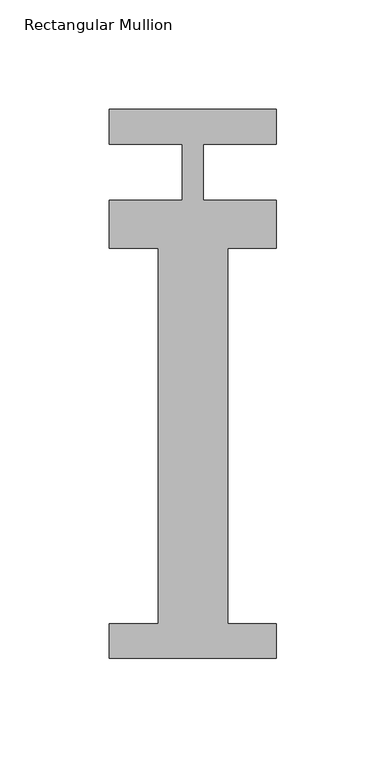
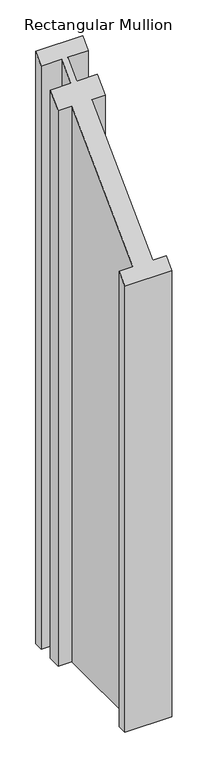
"""IFC4 building model written with IfcOpenShell, lengths in millimetres: member geometry, Rectangular Mullion."""

from ifc_helpers import new_model, si_unit, origin, place, context, project, spatial, faceted_brep, source, transform, mapped, element, save


def rectangular_mullion_097fa01d(model_context):
    return source(origin(), model_context, "Body", "Brep", [
        faceted_brep([(38.1, -221.996, -986.3666667), (-38.1, -221.996, -986.3666667), (-38.1, -206.121, -986.3666667), (-15.875, -206.121, -986.3666667), (-15.875, -34.671, -986.3666667), (-38.1, -34.671, -986.3666667), (-38.1, -12.7, -986.3666667), (-4.7625, -12.7, -986.3666667), (-4.7625, 12.7, -986.3666667), (-38.1, 12.7, -986.3666667), (-38.1, 28.7131807, -986.3666667), (38.1, 28.7131807, -986.3666667), (38.1, 12.7, -986.3666667), (4.7625, 12.7, -986.3666667), (4.7625, -12.7, -986.3666667), (38.1, -12.7, -986.3666667), (38.1, -34.671, -986.3666667), (15.875, -34.671, -986.3666667), (15.875, -206.121, -986.3666667), (38.1, -206.121, -986.3666667), (38.1, -206.121, -206.121), (38.1, -221.996, -221.996), (15.875, -206.121, -206.121), (15.875, -34.671, -34.671), (38.1, -34.671, -34.671), (38.1, -12.7, -12.7), (4.7625, -12.7, -12.7), (4.7625, 12.7, 12.7), (38.1, 12.7, 12.7), (38.1, 28.7131807, 28.7131807), (-38.1, 28.7131807, 28.7131807), (-38.1, 12.7, 12.7), (-4.7625, 12.7, 12.7), (-4.7625, -12.7, -12.7), (-38.1, -12.7, -12.7), (-38.1, -34.671, -34.671), (-15.875, -34.671, -34.671), (-15.875, -206.121, -206.121), (-38.1, -206.121, -206.121), (-38.1, -221.996, -221.996)], [[[0, 1, 2, 3, 4, 5, 6, 7, 8, 9, 10, 11, 12, 13, 14, 15, 16, 17, 18, 19]], [[20, 21, 0, 19]], [[22, 20, 19, 18]], [[23, 22, 18, 17]], [[24, 23, 17, 16]], [[25, 24, 16, 15]], [[26, 25, 15, 14]], [[27, 26, 14, 13]], [[28, 27, 13, 12]], [[29, 28, 12, 11]], [[30, 29, 11, 10]], [[31, 30, 10, 9]], [[32, 31, 9, 8]], [[33, 32, 8, 7]], [[34, 33, 7, 6]], [[35, 34, 6, 5]], [[36, 35, 5, 4]], [[37, 36, 4, 3]], [[38, 37, 3, 2]], [[39, 38, 2, 1]], [[21, 39, 1, 0]], [[21, 20, 22, 23, 24, 25, 26, 27, 28, 29, 30, 31, 32, 33, 34, 35, 36, 37, 38, 39]]]),
    ])


if __name__ == "__main__":
    model = new_model("IFC4")
    model_context = context("Model", 3, world=origin())
    ifc_project = project(units=[si_unit("LENGTHUNIT", "METRE", prefix="MILLI")], contexts=[model_context])
    site = spatial("IfcSite", under=ifc_project)
    building = spatial("IfcBuilding", under=site)
    placement = place(None, origin())
    rectangular_mullion_shape = rectangular_mullion_097fa01d(model_context)
    element("IfcMember", 1, ObjectType="Rectangular Mullion", at=placement, inside=building, context=model_context, shape_type="MappedRepresentation", body=[
        mapped(rectangular_mullion_shape, transform((0.0, 0.0, 0.0), x_axis=(1.0, 0.0, 0.0), y_axis=(0.0, 1.0, 0.0), z_axis=(0.0, 0.0, 1.0))),
    ])
    save(model, "model.ifc")
